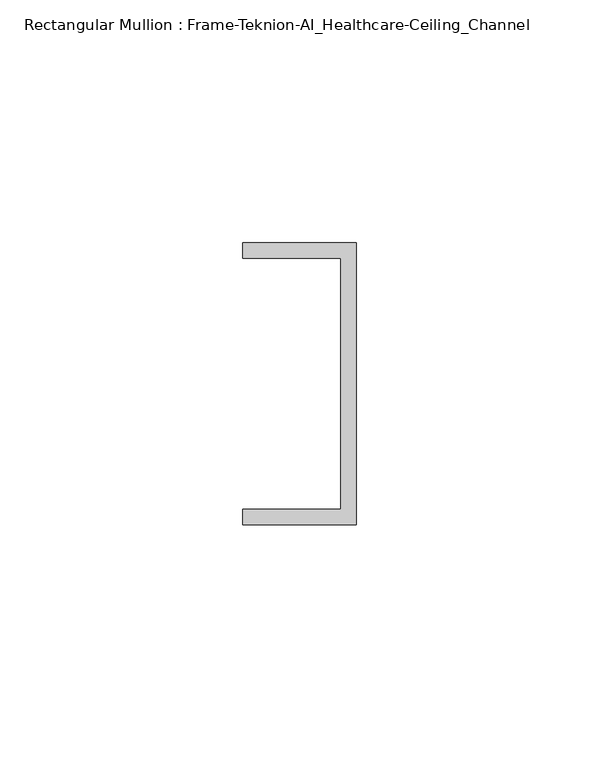
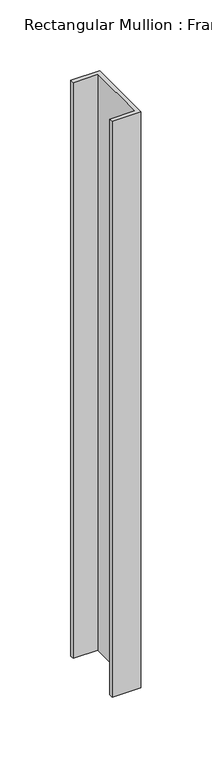
"""IFC4 building model written with IfcOpenShell, lengths in millimetres: member geometry, Rectangular Mullion : Frame-Teknion-AI_Healthcare-Ceiling_Channel."""

from ifc_helpers import new_model, si_unit, frame, origin, place, context, project, spatial, polyline, outline, extrude, source, transform, mapped, element, save


def rectangular_mullion_frame_teknion_ai_healthcare_ceiling_73547409(model_context):
    return source(origin(), model_context, "Body", "SweptSolid", [
        extrude(outline(polyline([(0.0, 29.0214844), (0.0, -29.0214844), (-23.3164063, -29.0214844), (-23.3164063, -25.8464844), (-3.175, -25.8464844), (-3.175, 25.8464844), (-23.3164063, 25.8464844), (-23.3164063, 29.0214844), (0.0, 29.0214844)])), frame((0.0, 0.0, -495.3), z_axis=(0.0, 0.0, 1.0), x_axis=(1.0, 0.0, 0.0)), (0.0, 0.0, 1.0), 495.3),
    ])


if __name__ == "__main__":
    model = new_model("IFC4")
    model_context = context("Model", 3, world=origin())
    ifc_project = project(units=[si_unit("LENGTHUNIT", "METRE", prefix="MILLI")], contexts=[model_context])
    site = spatial("IfcSite", under=ifc_project)
    building = spatial("IfcBuilding", under=site)
    placement = place(None, origin())
    rectangular_mullion_frame_teknion_ai_healthcare_ceiling_shape = rectangular_mullion_frame_teknion_ai_healthcare_ceiling_73547409(model_context)
    element("IfcMember", 1, ObjectType="Rectangular Mullion : Frame-Teknion-AI_Healthcare-Ceiling_Channel", at=placement, inside=building, context=model_context, shape_type="MappedRepresentation", body=[
        mapped(rectangular_mullion_frame_teknion_ai_healthcare_ceiling_shape, transform((0.0, 0.0, 0.0), x_axis=(1.0, 0.0, 0.0), y_axis=(0.0, 1.0, 0.0), z_axis=(0.0, 0.0, 1.0))),
    ])
    save(model, "model.ifc")
